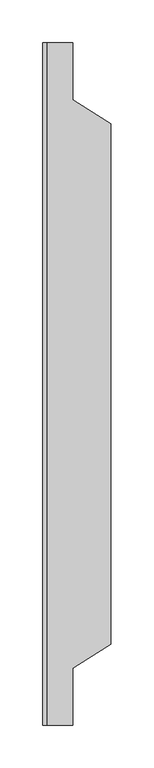
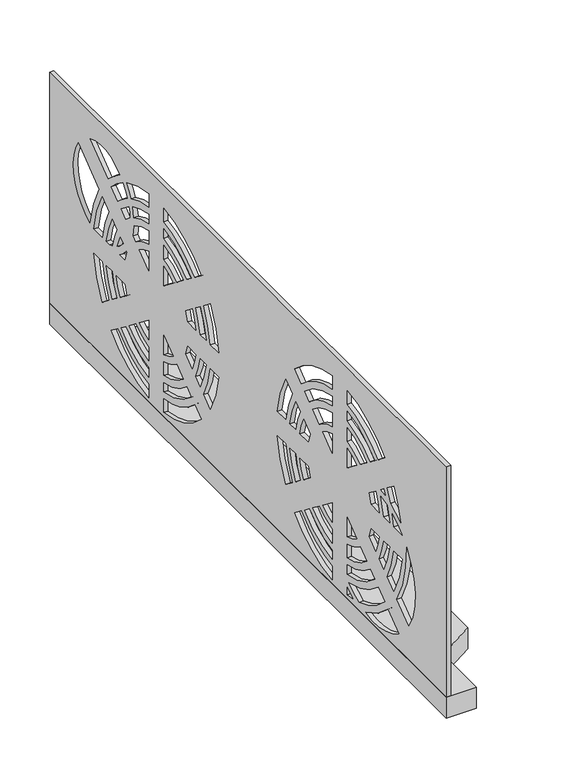
"""IFC4 building model written with IfcOpenShell, lengths in millimetres: proxy geometry."""

from ifc_helpers import new_model, si_unit, point, frame, frame_2d, origin, place, context, project, spatial, polyline, circle_curve, trimmed, segment, composite_curve, outline, extrude, source, transform, mapped, element, save


def specialty_equipment_62a11a08(model_context):
    return source(origin(), model_context, "Body", "SweptSolid", [
        extrude(outline(polyline([(-1157.5, 400.0), (-1122.5, 400.0), (-1122.5, 333.125), (-1077.5, 305.0), (-1077.5, -305.0), (-1122.5, -333.125), (-1122.5, -400.0), (-1157.5, -400.0), (-1157.5, 400.0)])), frame((0.0, 0.0, 40.0), z_axis=(0.0, 0.0, 1.0), x_axis=(1.0, 0.0, 0.0)), (0.0, 0.0, 1.0), 26.0),
        extrude(outline(polyline([(400.0, 350.0), (400.0, 40.0), (-400.0, 40.0), (-400.0, 350.0), (400.0, 350.0)]), holes=[composite_curve([segment(trimmed(circle_curve(frame_2d((-255.0, 152.0)), 82.0), [point((-319.8820078, 202.143046))], [point((-324.2966227, 108.1596295))], True, "CARTESIAN"), True, "CONTINUOUS"), segment(polyline([(-324.2966227, 108.1596295), (-300.4489875, 126.5247809)]), True, "CONTINUOUS"), segment(trimmed(circle_curve(frame_2d((-185.0, 196.5)), 135.0), [point((-300.4489875, 126.5247809))], [point((-319.8820078, 202.143046))], False, "CARTESIAN"), True, "CONTINUOUS")], self_intersect=False), composite_curve([segment(trimmed(circle_curve(frame_2d((-184.9999998, 196.5)), 126.5000002), [point((-310.5015775, 212.3620319))], [point((-310.6075237, 211.5))], True, "CARTESIAN"), True, "CONTINUOUS"), segment(polyline([(-310.6075237, 211.5), (-293.9724736, 211.5)]), True, "CONTINUOUS"), segment(trimmed(circle_curve(frame_2d((-185.0, 196.5)), 110.0), [point((-293.9724736, 211.5))], [point((-291.069857, 225.6407863))], False, "CARTESIAN"), True, "CONTINUOUS"), segment(trimmed(circle_curve(frame_2d((-255.0, 152.0)), 82.0), [point((-291.069857, 225.6407863))], [point((-310.5015775, 212.3620319))], True, "CARTESIAN"), True, "CONTINUOUS")], self_intersect=False), composite_curve([segment(trimmed(circle_curve(frame_2d((-185.0, 196.5)), 126.5), [point((-293.6697176, 261.2544785))], [point((-308.1981724, 225.2134172))], True, "CARTESIAN"), True, "CONTINUOUS"), segment(trimmed(circle_curve(frame_2d((-255.0, 152.0)), 90.5), [point((-308.1981724, 225.2134172))], [point((-287.4811051, 236.4702777))], False, "CARTESIAN"), True, "CONTINUOUS"), segment(trimmed(circle_curve(frame_2d((-185.0, 196.5)), 110.0), [point((-287.4811051, 236.4702777))], [point((-280.4899397, 251.1046831))], False, "CARTESIAN"), True, "CONTINUOUS"), segment(polyline([(-280.4899397, 251.1046831), (-293.6697176, 261.2544785)]), True, "CONTINUOUS")], self_intersect=False), composite_curve([segment(polyline([(-293.9724736, 181.5), (-310.6075237, 181.5)]), True, "CONTINUOUS"), segment(trimmed(circle_curve(frame_2d((-185.0, 196.5)), 126.5), [point((-310.6075237, 181.5))], [point((-293.6697176, 131.7455215))], True, "CARTESIAN"), True, "CONTINUOUS"), segment(polyline([(-293.6697176, 131.7455215), (-280.4899397, 141.8953169)]), True, "CONTINUOUS"), segment(trimmed(circle_curve(frame_2d((-185.0, 196.5)), 110.0), [point((-280.4899397, 141.8953169))], [point((-293.9724736, 181.5))], False, "CARTESIAN"), True, "CONTINUOUS")], self_intersect=False), composite_curve([segment(trimmed(circle_curve(frame_2d((-185.0, 196.5)), 101.5), [point((-273.6865749, 245.8653869))], [point((-276.7819628, 239.8396044))], True, "CARTESIAN"), True, "CONTINUOUS"), segment(trimmed(circle_curve(frame_2d((-255.0, 152.0)), 90.5), [point((-276.7819628, 239.8396044))], [point((-268.0822264, 241.5494576))], False, "CARTESIAN"), True, "CONTINUOUS"), segment(polyline([(-268.0822264, 241.5494576), (-273.6865749, 245.8653869)]), True, "CONTINUOUS")], self_intersect=False), composite_curve([segment(trimmed(circle_curve(frame_2d((-185.0, 196.5)), 101.5), [point((-280.8787765, 229.8093113))], [point((-285.3855069, 211.5))], True, "CARTESIAN"), True, "CONTINUOUS"), segment(polyline([(-285.3855069, 211.5), (-273.7411967, 211.5)]), True, "CONTINUOUS"), segment(trimmed(circle_curve(frame_2d((-185.0, 196.5)), 90.0), [point((-273.7411967, 211.5))], [point((-267.2294971, 233.0829168))], False, "CARTESIAN"), True, "CONTINUOUS"), segment(trimmed(circle_curve(frame_2d((-255.0, 152.0)), 82.0), [point((-267.2294971, 233.0829168))], [point((-280.8787765, 229.8093113))], True, "CARTESIAN"), True, "CONTINUOUS")], self_intersect=False), composite_curve([segment(polyline([(-273.7411967, 181.5), (-285.3855069, 181.5)]), True, "CONTINUOUS"), segment(trimmed(circle_curve(frame_2d((-185.0, 196.5)), 101.5), [point((-285.3855069, 181.5))], [point((-273.6865749, 147.1346131))], True, "CARTESIAN"), True, "CONTINUOUS"), segment(polyline([(-273.6865749, 147.1346131), (-264.4609086, 154.2393326)]), True, "CONTINUOUS"), segment(trimmed(circle_curve(frame_2d((-185.0, 196.5)), 90.0), [point((-264.4609086, 154.2393326))], [point((-273.7411967, 181.5))], False, "CARTESIAN"), True, "CONTINUOUS")], self_intersect=False), composite_curve([segment(trimmed(circle_curve(frame_2d((-185.0, 196.5)), 81.5), [point((-257.6207102, 233.4930055))], [point((-265.10774, 211.5))], True, "CARTESIAN"), True, "CONTINUOUS"), segment(polyline([(-265.10774, 211.5), (-248.2455532, 211.5)]), True, "CONTINUOUS"), segment(trimmed(circle_curve(frame_2d((-185.0, 196.5)), 65.0), [point((-248.2455532, 211.5))], [point((-244.2609742, 223.2046238))], False, "CARTESIAN"), True, "CONTINUOUS"), segment(polyline([(-244.2609742, 223.2046238), (-257.6207102, 233.4930055)]), True, "CONTINUOUS")], self_intersect=False), composite_curve([segment(polyline([(-248.2455532, 181.5), (-265.10774, 181.5)]), True, "CONTINUOUS"), segment(trimmed(circle_curve(frame_2d((-185.0, 196.5)), 81.5), [point((-265.10774, 181.5))], [point((-257.6207102, 159.5069945))], True, "CARTESIAN"), True, "CONTINUOUS"), segment(polyline([(-257.6207102, 159.5069945), (-244.2609742, 169.7953762)]), True, "CONTINUOUS"), segment(trimmed(circle_curve(frame_2d((-185.0, 196.5)), 65.0), [point((-244.2609742, 169.7953762))], [point((-248.2455532, 181.5))], False, "CARTESIAN"), True, "CONTINUOUS")], self_intersect=False), composite_curve([segment(polyline([(-282.1446326, 102.7560916), (-303.7849826, 86.0907786)]), True, "CONTINUOUS"), segment(trimmed(circle_curve(frame_2d((-255.0, 152.0)), 82.0), [point((-303.7849826, 86.0907786))], [point((-237.1297287, 71.9709215))], True, "CARTESIAN"), True, "CONTINUOUS"), segment(trimmed(circle_curve(frame_2d((-185.0, 196.5)), 135.0), [point((-237.1297287, 71.9709215))], [point((-282.1446326, 102.7560916))], False, "CARTESIAN"), True, "CONTINUOUS")], self_intersect=False), composite_curve([segment(polyline([(-262.1855848, 118.1266276), (-275.3653627, 107.9768322)]), True, "CONTINUOUS"), segment(trimmed(circle_curve(frame_2d((-185.0, 196.5)), 126.5), [point((-275.3653627, 107.9768322))], [point((-223.8957918, 76.1282119))], True, "CARTESIAN"), True, "CONTINUOUS"), segment(trimmed(circle_curve(frame_2d((-255.0, 152.0)), 82.0), [point((-223.8957918, 76.1282119))], [point((-203.6258299, 88.0883841))], True, "CARTESIAN"), True, "CONTINUOUS"), segment(trimmed(circle_curve(frame_2d((-185.0, 196.5)), 110.0), [point((-203.6258299, 88.0883841))], [point((-262.1855848, 118.1266276))], False, "CARTESIAN"), True, "CONTINUOUS")], self_intersect=False), composite_curve([segment(trimmed(circle_curve(frame_2d((-185.0, 196.5)), 126.5), [point((-200.0, 322.1075237))], [point((-275.3653627, 285.0231678))], True, "CARTESIAN"), True, "CONTINUOUS"), segment(polyline([(-275.3653627, 285.0231678), (-262.1855848, 274.8733724)]), True, "CONTINUOUS"), segment(trimmed(circle_curve(frame_2d((-185.0, 196.5)), 110.0), [point((-262.1855848, 274.8733724))], [point((-200.0, 305.4724736))], False, "CARTESIAN"), True, "CONTINUOUS"), segment(polyline([(-200.0, 305.4724736), (-200.0, 322.1075237)]), True, "CONTINUOUS")], self_intersect=False), composite_curve([segment(polyline([(-200.0, 166.0159748), (-219.0057965, 151.3795411)]), True, "CONTINUOUS"), segment(trimmed(circle_curve(frame_2d((-185.0, 196.5)), 56.5), [point((-219.0057965, 151.3795411))], [point((-200.0, 142.0275299))], True, "CARTESIAN"), True, "CONTINUOUS"), segment(polyline([(-200.0, 142.0275299), (-200.0, 166.0159748)]), True, "CONTINUOUS")], self_intersect=False), composite_curve([segment(trimmed(circle_curve(frame_2d((-185.0, 196.5)), 65.0), [point((-200.0, 133.2544468))], [point((-225.9566193, 146.0266869))], False, "CARTESIAN"), True, "CONTINUOUS"), segment(polyline([(-225.9566193, 146.0266869), (-239.3163553, 135.7383052)]), True, "CONTINUOUS"), segment(trimmed(circle_curve(frame_2d((-185.0, 196.5)), 81.5), [point((-239.3163553, 135.7383052))], [point((-200.0, 116.39226))], True, "CARTESIAN"), True, "CONTINUOUS"), segment(polyline([(-200.0, 116.39226), (-200.0, 133.2544468)]), True, "CONTINUOUS")], self_intersect=False), composite_curve([segment(trimmed(circle_curve(frame_2d((-185.0, 196.5)), 56.5), [point((-200.0, 250.9724701))], [point((-219.0057965, 241.6204589))], True, "CARTESIAN"), True, "CONTINUOUS"), segment(polyline([(-219.0057965, 241.6204589), (-200.0, 226.9840252), (-200.0, 250.9724701)]), True, "CONTINUOUS")], self_intersect=False), composite_curve([segment(polyline([(-239.3163553, 257.2616948), (-225.9566193, 246.9733131)]), True, "CONTINUOUS"), segment(trimmed(circle_curve(frame_2d((-185.0, 196.5)), 65.0), [point((-225.9566193, 246.9733131))], [point((-200.0, 259.7455532))], False, "CARTESIAN"), True, "CONTINUOUS"), segment(polyline([(-200.0, 259.7455532), (-200.0, 276.60774)]), True, "CONTINUOUS"), segment(trimmed(circle_curve(frame_2d((-185.0, 196.5)), 81.5), [point((-200.0, 276.60774))], [point((-239.3163553, 257.2616948))], True, "CARTESIAN"), True, "CONTINUOUS")], self_intersect=False), composite_curve([segment(trimmed(circle_curve(frame_2d((-185.0, 196.5)), 90.0), [point((-200.0, 107.7588033))], [point((-246.1565537, 130.4706433))], False, "CARTESIAN"), True, "CONTINUOUS"), segment(polyline([(-246.1565537, 130.4706433), (-255.38222, 123.3659238)]), True, "CONTINUOUS"), segment(trimmed(circle_curve(frame_2d((-185.0, 196.5)), 101.5), [point((-255.38222, 123.3659238))], [point((-200.0, 96.1144931))], True, "CARTESIAN"), True, "CONTINUOUS"), segment(polyline([(-200.0, 96.1144931), (-200.0, 107.7588033)]), True, "CONTINUOUS")], self_intersect=False), composite_curve([segment(polyline([(-255.38222, 269.6340762), (-246.1565537, 262.5293567)]), True, "CONTINUOUS"), segment(trimmed(circle_curve(frame_2d((-185.0, 196.5)), 90.0), [point((-246.1565537, 262.5293567))], [point((-200.0, 285.2411967))], False, "CARTESIAN"), True, "CONTINUOUS"), segment(polyline([(-200.0, 285.2411967), (-200.0, 296.8855069)]), True, "CONTINUOUS"), segment(trimmed(circle_curve(frame_2d((-185.0, 196.5)), 101.5), [point((-200.0, 296.8855069))], [point((-255.38222, 269.6340762))], True, "CARTESIAN"), True, "CONTINUOUS")], self_intersect=False), composite_curve([segment(trimmed(circle_curve(frame_2d((-255.0, 152.0)), 90.5), [point((-200.0, 80.1303263))], [point((-211.2814977, 72.7602211))], False, "CARTESIAN"), True, "CONTINUOUS"), segment(trimmed(circle_curve(frame_2d((-185.0, 196.5)), 126.5), [point((-211.2814977, 72.7602211))], [point((-200.0, 70.8924763))], True, "CARTESIAN"), True, "CONTINUOUS"), segment(polyline([(-200.0, 70.8924763), (-200.0, 80.1303263)]), True, "CONTINUOUS")], self_intersect=False), composite_curve([segment(polyline([(-170.0, 166.0159748), (-170.0, 142.0275299)]), True, "CONTINUOUS"), segment(trimmed(circle_curve(frame_2d((-185.0, 196.5)), 56.5), [point((-170.0, 142.0275299))], [point((-150.9942035, 151.3795411))], True, "CARTESIAN"), True, "CONTINUOUS"), segment(polyline([(-150.9942035, 151.3795411), (-170.0, 166.0159748)]), True, "CONTINUOUS")], self_intersect=False), composite_curve([segment(polyline([(-170.0, 250.9724701), (-170.0, 226.9840252), (-150.9942035, 241.6204589)]), True, "CONTINUOUS"), segment(trimmed(circle_curve(frame_2d((-185.0, 196.5)), 56.5), [point((-150.9942035, 241.6204589))], [point((-170.0, 250.9724701))], True, "CARTESIAN"), True, "CONTINUOUS")], self_intersect=False), composite_curve([segment(trimmed(circle_curve(frame_2d((-185.0, 196.5)), 65.0), [point((-144.0433807, 146.0266869))], [point((-170.0, 133.2544468))], False, "CARTESIAN"), True, "CONTINUOUS"), segment(polyline([(-170.0, 133.2544468), (-170.0, 116.39226)]), True, "CONTINUOUS"), segment(trimmed(circle_curve(frame_2d((-185.0, 196.5)), 81.5), [point((-170.0, 116.39226))], [point((-130.6836447, 135.7383052))], True, "CARTESIAN"), True, "CONTINUOUS"), segment(polyline([(-130.6836447, 135.7383052), (-144.0433807, 146.0266869)]), True, "CONTINUOUS")], self_intersect=False), composite_curve([segment(polyline([(-170.0, 276.60774), (-170.0, 259.7455532)]), True, "CONTINUOUS"), segment(trimmed(circle_curve(frame_2d((-185.0, 196.5)), 65.0), [point((-170.0, 259.7455532))], [point((-144.0433807, 246.9733131))], False, "CARTESIAN"), True, "CONTINUOUS"), segment(polyline([(-144.0433807, 246.9733131), (-130.6836447, 257.2616948)]), True, "CONTINUOUS"), segment(trimmed(circle_curve(frame_2d((-185.0, 196.5)), 81.5), [point((-130.6836447, 257.2616948))], [point((-170.0, 276.60774))], True, "CARTESIAN"), True, "CONTINUOUS")], self_intersect=False), composite_curve([segment(trimmed(circle_curve(frame_2d((-185.0, 196.5)), 90.0), [point((-123.8434463, 130.4706433))], [point((-170.0, 107.7588033))], False, "CARTESIAN"), True, "CONTINUOUS"), segment(polyline([(-170.0, 107.7588033), (-170.0, 96.1144931)]), True, "CONTINUOUS"), segment(trimmed(circle_curve(frame_2d((-185.0, 196.5)), 101.5), [point((-170.0, 96.1144931))], [point((-114.61778, 123.3659238))], True, "CARTESIAN"), True, "CONTINUOUS"), segment(polyline([(-114.61778, 123.3659238), (-123.8434463, 130.4706433)]), True, "CONTINUOUS")], self_intersect=False), composite_curve([segment(polyline([(-170.0, 296.8855069), (-170.0, 285.2411967)]), True, "CONTINUOUS"), segment(trimmed(circle_curve(frame_2d((-185.0, 196.5)), 90.0), [point((-170.0, 285.2411967))], [point((-123.8434463, 262.5293567))], False, "CARTESIAN"), True, "CONTINUOUS"), segment(polyline([(-123.8434463, 262.5293567), (-114.61778, 269.6340762)]), True, "CONTINUOUS"), segment(trimmed(circle_curve(frame_2d((-185.0, 196.5)), 101.5), [point((-114.61778, 269.6340762))], [point((-170.0, 296.8855069))], True, "CARTESIAN"), True, "CONTINUOUS")], self_intersect=False), composite_curve([segment(polyline([(-112.3792898, 233.4930055), (-125.7390258, 223.2046238)]), True, "CONTINUOUS"), segment(trimmed(circle_curve(frame_2d((-185.0, 196.5)), 65.0), [point((-125.7390258, 223.2046238))], [point((-121.7544468, 211.5))], False, "CARTESIAN"), True, "CONTINUOUS"), segment(polyline([(-121.7544468, 211.5), (-104.89226, 211.5)]), True, "CONTINUOUS"), segment(trimmed(circle_curve(frame_2d((-185.0, 196.5)), 81.5), [point((-104.89226, 211.5))], [point((-112.3792898, 233.4930055))], True, "CARTESIAN"), True, "CONTINUOUS")], self_intersect=False), composite_curve([segment(trimmed(circle_curve(frame_2d((-185.0, 196.5)), 65.0), [point((-121.7544468, 181.5))], [point((-125.7390258, 169.7953762))], False, "CARTESIAN"), True, "CONTINUOUS"), segment(polyline([(-125.7390258, 169.7953762), (-112.3792898, 159.5069945)]), True, "CONTINUOUS"), segment(trimmed(circle_curve(frame_2d((-185.0, 196.5)), 81.5), [point((-112.3792898, 159.5069945))], [point((-104.89226, 181.5))], True, "CARTESIAN"), True, "CONTINUOUS"), segment(polyline([(-104.89226, 181.5), (-121.7544468, 181.5)]), True, "CONTINUOUS")], self_intersect=False), composite_curve([segment(trimmed(circle_curve(frame_2d((-185.0, 196.5)), 110.0), [point((-107.8144152, 118.1266276))], [point((-170.0, 87.5275264))], False, "CARTESIAN"), True, "CONTINUOUS"), segment(polyline([(-170.0, 87.5275264), (-170.0, 70.8924763)]), True, "CONTINUOUS"), segment(trimmed(circle_curve(frame_2d((-185.0, 196.5)), 126.5), [point((-170.0, 70.8924763))], [point((-94.6346373, 107.9768322))], True, "CARTESIAN"), True, "CONTINUOUS"), segment(polyline([(-94.6346373, 107.9768322), (-107.8144152, 118.1266276)]), True, "CONTINUOUS")], self_intersect=False), composite_curve([segment(polyline([(-170.0, 322.1075237), (-170.0, 305.4724736)]), True, "CONTINUOUS"), segment(trimmed(circle_curve(frame_2d((-185.0, 196.5)), 110.0), [point((-170.0, 305.4724736))], [point((-107.8144152, 274.8733724))], False, "CARTESIAN"), True, "CONTINUOUS"), segment(polyline([(-107.8144152, 274.8733724), (-94.6346373, 285.0231678)]), True, "CONTINUOUS"), segment(trimmed(circle_curve(frame_2d((-185.0, 196.5)), 126.5), [point((-94.6346373, 285.0231678))], [point((-170.0, 322.1075237))], True, "CARTESIAN"), True, "CONTINUOUS")], self_intersect=False), composite_curve([segment(trimmed(circle_curve(frame_2d((-185.0, 196.5)), 90.0), [point((-96.2588033, 181.5))], [point((-105.5390914, 154.2393326))], False, "CARTESIAN"), True, "CONTINUOUS"), segment(polyline([(-105.5390914, 154.2393326), (-96.3134251, 147.1346131)]), True, "CONTINUOUS"), segment(trimmed(circle_curve(frame_2d((-185.0, 196.5)), 101.5), [point((-96.3134251, 147.1346131))], [point((-84.6144931, 181.5))], True, "CARTESIAN"), True, "CONTINUOUS"), segment(polyline([(-84.6144931, 181.5), (-96.2588033, 181.5)]), True, "CONTINUOUS")], self_intersect=False), composite_curve([segment(polyline([(-96.3134251, 245.8653869), (-105.5390914, 238.7606674)]), True, "CONTINUOUS"), segment(trimmed(circle_curve(frame_2d((-185.0, 196.5)), 90.0), [point((-105.5390914, 238.7606674))], [point((-96.2588033, 211.5))], False, "CARTESIAN"), True, "CONTINUOUS"), segment(polyline([(-96.2588033, 211.5), (-84.6144931, 211.5)]), True, "CONTINUOUS"), segment(trimmed(circle_curve(frame_2d((-185.0, 196.5)), 101.5), [point((-84.6144931, 211.5))], [point((-96.3134251, 245.8653869))], True, "CARTESIAN"), True, "CONTINUOUS")], self_intersect=False), composite_curve([segment(polyline([(-76.3302824, 261.2544785), (-89.5100603, 251.1046831)]), True, "CONTINUOUS"), segment(trimmed(circle_curve(frame_2d((-185.0, 196.5)), 110.0), [point((-89.5100603, 251.1046831))], [point((-76.0275264, 211.5))], False, "CARTESIAN"), True, "CONTINUOUS"), segment(polyline([(-76.0275264, 211.5), (-59.3924763, 211.5)]), True, "CONTINUOUS"), segment(trimmed(circle_curve(frame_2d((-185.0, 196.5)), 126.5), [point((-59.3924763, 211.5))], [point((-76.3302824, 261.2544785))], True, "CARTESIAN"), True, "CONTINUOUS")], self_intersect=False), composite_curve([segment(trimmed(circle_curve(frame_2d((-185.0, 196.5)), 110.0), [point((-76.0275264, 181.5))], [point((-89.5100603, 141.8953169))], False, "CARTESIAN"), True, "CONTINUOUS"), segment(polyline([(-89.5100603, 141.8953169), (-76.3302824, 131.7455215)]), True, "CONTINUOUS"), segment(trimmed(circle_curve(frame_2d((-185.0, 196.5)), 126.5), [point((-76.3302824, 131.7455215))], [point((-59.3924763, 181.5))], True, "CARTESIAN"), True, "CONTINUOUS"), segment(polyline([(-59.3924763, 181.5), (-76.0275264, 181.5)]), True, "CONTINUOUS")], self_intersect=False), composite_curve([segment(trimmed(circle_curve(frame_2d((185.0, 196.5)), 126.5), [point((76.3302824, 261.2544785))], [point((59.3924763, 211.5))], True, "CARTESIAN"), True, "CONTINUOUS"), segment(polyline([(59.3924763, 211.5), (76.0275264, 211.5)]), True, "CONTINUOUS"), segment(trimmed(circle_curve(frame_2d((185.0, 196.5)), 110.0), [point((76.0275264, 211.5))], [point((89.5100603, 251.1046831))], False, "CARTESIAN"), True, "CONTINUOUS"), segment(polyline([(89.5100603, 251.1046831), (76.3302824, 261.2544785)]), True, "CONTINUOUS")], self_intersect=False), composite_curve([segment(polyline([(76.0275264, 181.5), (59.3924763, 181.5)]), True, "CONTINUOUS"), segment(trimmed(circle_curve(frame_2d((185.0, 196.5)), 126.5), [point((59.3924763, 181.5))], [point((76.3302824, 131.7455215))], True, "CARTESIAN"), True, "CONTINUOUS"), segment(polyline([(76.3302824, 131.7455215), (89.5100603, 141.8953169)]), True, "CONTINUOUS"), segment(trimmed(circle_curve(frame_2d((185.0, 196.5)), 110.0), [point((89.5100603, 141.8953169))], [point((76.0275264, 181.5))], False, "CARTESIAN"), True, "CONTINUOUS")], self_intersect=False), composite_curve([segment(trimmed(circle_curve(frame_2d((185.0, 196.5)), 101.5), [point((96.3134251, 245.8653869))], [point((84.6144931, 211.5))], True, "CARTESIAN"), True, "CONTINUOUS"), segment(polyline([(84.6144931, 211.5), (96.2588033, 211.5)]), True, "CONTINUOUS"), segment(trimmed(circle_curve(frame_2d((185.0, 196.5)), 90.0), [point((96.2588033, 211.5))], [point((105.5390914, 238.7606674))], False, "CARTESIAN"), True, "CONTINUOUS"), segment(polyline([(105.5390914, 238.7606674), (96.3134251, 245.8653869)]), True, "CONTINUOUS")], self_intersect=False), composite_curve([segment(polyline([(96.2588033, 181.5), (84.6144931, 181.5)]), True, "CONTINUOUS"), segment(trimmed(circle_curve(frame_2d((185.0, 196.5)), 101.5), [point((84.6144931, 181.5))], [point((96.3134251, 147.1346131))], True, "CARTESIAN"), True, "CONTINUOUS"), segment(polyline([(96.3134251, 147.1346131), (105.5390914, 154.2393326)]), True, "CONTINUOUS"), segment(trimmed(circle_curve(frame_2d((185.0, 196.5)), 90.0), [point((105.5390914, 154.2393326))], [point((96.2588033, 181.5))], False, "CARTESIAN"), True, "CONTINUOUS")], self_intersect=False), composite_curve([segment(polyline([(121.7544468, 181.5), (104.89226, 181.5)]), True, "CONTINUOUS"), segment(trimmed(circle_curve(frame_2d((185.0, 196.5)), 81.5), [point((104.89226, 181.5))], [point((112.3792898, 159.5069945))], True, "CARTESIAN"), True, "CONTINUOUS"), segment(polyline([(112.3792898, 159.5069945), (125.7390258, 169.7953762)]), True, "CONTINUOUS"), segment(trimmed(circle_curve(frame_2d((185.0, 196.5)), 65.0), [point((125.7390258, 169.7953762))], [point((121.7544468, 181.5))], False, "CARTESIAN"), True, "CONTINUOUS")], self_intersect=False), composite_curve([segment(trimmed(circle_curve(frame_2d((185.0, 196.5)), 81.5), [point((112.3792898, 233.4930055))], [point((104.89226, 211.5))], True, "CARTESIAN"), True, "CONTINUOUS"), segment(polyline([(104.89226, 211.5), (121.7544468, 211.5)]), True, "CONTINUOUS"), segment(trimmed(circle_curve(frame_2d((185.0, 196.5)), 65.0), [point((121.7544468, 211.5))], [point((125.7390258, 223.2046238))], False, "CARTESIAN"), True, "CONTINUOUS"), segment(polyline([(125.7390258, 223.2046238), (112.3792898, 233.4930055)]), True, "CONTINUOUS")], self_intersect=False), composite_curve([segment(trimmed(circle_curve(frame_2d((185.0, 196.5)), 126.5), [point((170.0, 322.1075237))], [point((94.6346373, 285.0231678))], True, "CARTESIAN"), True, "CONTINUOUS"), segment(polyline([(94.6346373, 285.0231678), (107.8144152, 274.8733724)]), True, "CONTINUOUS"), segment(trimmed(circle_curve(frame_2d((185.0, 196.5)), 110.0), [point((107.8144152, 274.8733724))], [point((170.0, 305.4724736))], False, "CARTESIAN"), True, "CONTINUOUS"), segment(polyline([(170.0, 305.4724736), (170.0, 322.1075237)]), True, "CONTINUOUS")], self_intersect=False), composite_curve([segment(polyline([(170.0, 166.0159748), (150.9942035, 151.3795411)]), True, "CONTINUOUS"), segment(trimmed(circle_curve(frame_2d((185.0, 196.5)), 56.5), [point((150.9942035, 151.3795411))], [point((170.0, 142.0275299))], True, "CARTESIAN"), True, "CONTINUOUS"), segment(polyline([(170.0, 142.0275299), (170.0, 166.0159748)]), True, "CONTINUOUS")], self_intersect=False), composite_curve([segment(trimmed(circle_curve(frame_2d((185.0, 196.5)), 65.0), [point((170.0, 133.2544468))], [point((144.0433807, 146.0266869))], False, "CARTESIAN"), True, "CONTINUOUS"), segment(polyline([(144.0433807, 146.0266869), (130.6836447, 135.7383052)]), True, "CONTINUOUS"), segment(trimmed(circle_curve(frame_2d((185.0, 196.5)), 81.5), [point((130.6836447, 135.7383052))], [point((170.0, 116.39226))], True, "CARTESIAN"), True, "CONTINUOUS"), segment(polyline([(170.0, 116.39226), (170.0, 133.2544468)]), True, "CONTINUOUS")], self_intersect=False), composite_curve([segment(trimmed(circle_curve(frame_2d((185.0, 196.5)), 56.5), [point((170.0, 250.9724701))], [point((150.9942035, 241.6204589))], True, "CARTESIAN"), True, "CONTINUOUS"), segment(polyline([(150.9942035, 241.6204589), (170.0, 226.9840252), (170.0, 250.9724701)]), True, "CONTINUOUS")], self_intersect=False), composite_curve([segment(polyline([(130.6836447, 257.2616948), (144.0433807, 246.9733131)]), True, "CONTINUOUS"), segment(trimmed(circle_curve(frame_2d((185.0, 196.5)), 65.0), [point((144.0433807, 246.9733131))], [point((170.0, 259.7455532))], False, "CARTESIAN"), True, "CONTINUOUS"), segment(polyline([(170.0, 259.7455532), (170.0, 276.60774)]), True, "CONTINUOUS"), segment(trimmed(circle_curve(frame_2d((185.0, 196.5)), 81.5), [point((170.0, 276.60774))], [point((130.6836447, 257.2616948))], True, "CARTESIAN"), True, "CONTINUOUS")], self_intersect=False), composite_curve([segment(trimmed(circle_curve(frame_2d((185.0, 196.5)), 90.0), [point((170.0, 107.7588033))], [point((123.8434463, 130.4706433))], False, "CARTESIAN"), True, "CONTINUOUS"), segment(polyline([(123.8434463, 130.4706433), (114.61778, 123.3659238)]), True, "CONTINUOUS"), segment(trimmed(circle_curve(frame_2d((185.0, 196.5)), 101.5), [point((114.61778, 123.3659238))], [point((170.0, 96.1144931))], True, "CARTESIAN"), True, "CONTINUOUS"), segment(polyline([(170.0, 96.1144931), (170.0, 107.7588033)]), True, "CONTINUOUS")], self_intersect=False), composite_curve([segment(polyline([(114.61778, 269.6340762), (123.8434463, 262.5293567)]), True, "CONTINUOUS"), segment(trimmed(circle_curve(frame_2d((185.0, 196.5)), 90.0), [point((123.8434463, 262.5293567))], [point((170.0, 285.2411967))], False, "CARTESIAN"), True, "CONTINUOUS"), segment(polyline([(170.0, 285.2411967), (170.0, 296.8855069)]), True, "CONTINUOUS"), segment(trimmed(circle_curve(frame_2d((185.0, 196.5)), 101.5), [point((170.0, 296.8855069))], [point((114.61778, 269.6340762))], True, "CARTESIAN"), True, "CONTINUOUS")], self_intersect=False), composite_curve([segment(trimmed(circle_curve(frame_2d((185.0, 196.5)), 110.0), [point((170.0, 87.5275264))], [point((107.8144152, 118.1266276))], False, "CARTESIAN"), True, "CONTINUOUS"), segment(polyline([(107.8144152, 118.1266276), (94.6346373, 107.9768322)]), True, "CONTINUOUS"), segment(trimmed(circle_curve(frame_2d((185.0, 196.5)), 126.5), [point((94.6346373, 107.9768322))], [point((170.0, 70.8924763))], True, "CARTESIAN"), True, "CONTINUOUS"), segment(polyline([(170.0, 70.8924763), (170.0, 87.5275264)]), True, "CONTINUOUS")], self_intersect=False), composite_curve([segment(polyline([(200.0, 166.0159748), (200.0, 142.0275299)]), True, "CONTINUOUS"), segment(trimmed(circle_curve(frame_2d((185.0, 196.5)), 56.5), [point((200.0, 142.0275299))], [point((219.0057965, 151.3795411))], True, "CARTESIAN"), True, "CONTINUOUS"), segment(polyline([(219.0057965, 151.3795411), (200.0, 166.0159748)]), True, "CONTINUOUS")], self_intersect=False), composite_curve([segment(polyline([(200.0, 250.9724701), (200.0, 226.9840252), (219.0057965, 241.6204589)]), True, "CONTINUOUS"), segment(trimmed(circle_curve(frame_2d((185.0, 196.5)), 56.5), [point((219.0057965, 241.6204589))], [point((200.0, 250.9724701))], True, "CARTESIAN"), True, "CONTINUOUS")], self_intersect=False), composite_curve([segment(trimmed(circle_curve(frame_2d((185.0, 196.5)), 81.5), [point((229.511525, 264.7713274))], [point((200.0, 276.60774))], True, "CARTESIAN"), True, "CONTINUOUS"), segment(polyline([(200.0, 276.60774), (200.0, 259.7455532)]), True, "CONTINUOUS"), segment(trimmed(circle_curve(frame_2d((185.0, 196.5)), 65.0), [point((200.0, 259.7455532))], [point((225.9566193, 246.9733131))], False, "CARTESIAN"), True, "CONTINUOUS"), segment(polyline([(225.9566193, 246.9733131), (231.2322126, 251.0360669)]), True, "CONTINUOUS"), segment(trimmed(circle_curve(frame_2d((295.0, 266.0)), 65.5), [point((231.2322126, 251.0360669))], [point((229.511525, 264.7713274))], False, "CARTESIAN"), True, "CONTINUOUS")], self_intersect=False), composite_curve([segment(polyline([(200.0, 296.8855069), (200.0, 285.2411967)]), True, "CONTINUOUS"), segment(trimmed(circle_curve(frame_2d((185.0, 196.5)), 90.0), [point((200.0, 285.2411967))], [point((230.043109, 274.4173815))], False, "CARTESIAN"), True, "CONTINUOUS"), segment(trimmed(circle_curve(frame_2d((295.0, 266.0)), 65.5), [point((230.043109, 274.4173815))], [point((232.6642599, 286.1123224))], False, "CARTESIAN"), True, "CONTINUOUS"), segment(trimmed(circle_curve(frame_2d((185.0, 196.5)), 101.5), [point((232.6642599, 286.1123224))], [point((200.0, 296.8855069))], True, "CARTESIAN"), True, "CONTINUOUS")], self_intersect=False), composite_curve([segment(trimmed(circle_curve(frame_2d((185.0, 196.5)), 65.0), [point((225.9566193, 146.0266869))], [point((200.0, 133.2544468))], False, "CARTESIAN"), True, "CONTINUOUS"), segment(polyline([(200.0, 133.2544468), (200.0, 116.39226)]), True, "CONTINUOUS"), segment(trimmed(circle_curve(frame_2d((185.0, 196.5)), 81.5), [point((200.0, 116.39226))], [point((239.3163553, 135.7383052))], True, "CARTESIAN"), True, "CONTINUOUS"), segment(polyline([(239.3163553, 135.7383052), (225.9566193, 146.0266869)]), True, "CONTINUOUS")], self_intersect=False), composite_curve([segment(polyline([(200.0, 322.1075237), (200.0, 305.4724736)]), True, "CONTINUOUS"), segment(trimmed(circle_curve(frame_2d((185.0, 196.5)), 110.0), [point((200.0, 305.4724736))], [point((235.8146202, 294.059594))], False, "CARTESIAN"), True, "CONTINUOUS"), segment(trimmed(circle_curve(frame_2d((295.0, 266.0)), 65.5), [point((235.8146202, 294.059594))], [point((244.7416778, 308.004179))], False, "CARTESIAN"), True, "CONTINUOUS"), segment(trimmed(circle_curve(frame_2d((185.0, 196.5)), 126.5), [point((244.7416778, 308.004179))], [point((200.0, 322.1075237))], True, "CARTESIAN"), True, "CONTINUOUS")], self_intersect=False), composite_curve([segment(trimmed(circle_curve(frame_2d((185.0, 196.5)), 90.0), [point((246.1565537, 130.4706433))], [point((200.0, 107.7588033))], False, "CARTESIAN"), True, "CONTINUOUS"), segment(polyline([(200.0, 107.7588033), (200.0, 96.1144931)]), True, "CONTINUOUS"), segment(trimmed(circle_curve(frame_2d((185.0, 196.5)), 101.5), [point((200.0, 96.1144931))], [point((255.38222, 123.3659238))], True, "CARTESIAN"), True, "CONTINUOUS"), segment(polyline([(255.38222, 123.3659238), (246.1565537, 130.4706433)]), True, "CONTINUOUS")], self_intersect=False), composite_curve([segment(trimmed(circle_curve(frame_2d((295.0, 266.0)), 57.0), [point((240.1986503, 281.6783952))], [point((238.088479, 269.1747095))], True, "CARTESIAN"), True, "CONTINUOUS"), segment(trimmed(circle_curve(frame_2d((185.0, 196.5)), 90.0), [point((238.088479, 269.1747095))], [point((246.1565537, 262.5293567))], False, "CARTESIAN"), True, "CONTINUOUS"), segment(polyline([(246.1565537, 262.5293567), (255.38222, 269.6340762)]), True, "CONTINUOUS"), segment(trimmed(circle_curve(frame_2d((185.0, 196.5)), 101.5), [point((255.38222, 269.6340762))], [point((240.1986503, 281.6783952))], True, "CARTESIAN"), True, "CONTINUOUS")], self_intersect=False), composite_curve([segment(polyline([(244.9564292, 223.7401962), (244.2609742, 223.2046238)]), True, "CONTINUOUS"), segment(trimmed(circle_curve(frame_2d((185.0, 196.5)), 65.0), [point((244.2609742, 223.2046238))], [point((248.2455532, 211.5))], False, "CARTESIAN"), True, "CONTINUOUS"), segment(polyline([(248.2455532, 211.5), (258.6681958, 211.5)]), True, "CONTINUOUS"), segment(trimmed(circle_curve(frame_2d((295.0, 266.0)), 65.5), [point((258.6681958, 211.5))], [point((244.9564292, 223.7401962))], False, "CARTESIAN"), True, "CONTINUOUS")], self_intersect=False), composite_curve([segment(polyline([(257.6207102, 233.4930055), (251.6987439, 228.9324775)]), True, "CONTINUOUS"), segment(trimmed(circle_curve(frame_2d((295.0, 266.0)), 57.0), [point((251.6987439, 228.9324775))], [point((263.4705057, 218.5143075))], True, "CARTESIAN"), True, "CONTINUOUS"), segment(trimmed(circle_curve(frame_2d((185.0, 196.5)), 81.5), [point((263.4705057, 218.5143075))], [point((257.6207102, 233.4930055))], True, "CARTESIAN"), True, "CONTINUOUS")], self_intersect=False), composite_curve([segment(trimmed(circle_curve(frame_2d((185.0, 196.5)), 65.0), [point((248.2455532, 181.5))], [point((244.2609742, 169.7953762))], False, "CARTESIAN"), True, "CONTINUOUS"), segment(polyline([(244.2609742, 169.7953762), (257.6207102, 159.5069945)]), True, "CONTINUOUS"), segment(trimmed(circle_curve(frame_2d((185.0, 196.5)), 81.5), [point((257.6207102, 159.5069945))], [point((265.10774, 181.5))], True, "CARTESIAN"), True, "CONTINUOUS"), segment(polyline([(265.10774, 181.5), (248.2455532, 181.5)]), True, "CONTINUOUS")], self_intersect=False), composite_curve([segment(trimmed(circle_curve(frame_2d((185.0, 196.5)), 110.0), [point((262.1855848, 118.1266276))], [point((200.0, 87.5275264))], False, "CARTESIAN"), True, "CONTINUOUS"), segment(polyline([(200.0, 87.5275264), (200.0, 70.8924763)]), True, "CONTINUOUS"), segment(trimmed(circle_curve(frame_2d((185.0, 196.5)), 126.5), [point((200.0, 70.8924763))], [point((275.3653627, 107.9768322))], True, "CARTESIAN"), True, "CONTINUOUS"), segment(polyline([(275.3653627, 107.9768322), (262.1855848, 118.1266276)]), True, "CONTINUOUS")], self_intersect=False), composite_curve([segment(trimmed(circle_curve(frame_2d((295.0, 266.0)), 57.0), [point((252.2167191, 303.6641856))], [point((243.2201701, 289.8295869))], True, "CARTESIAN"), True, "CONTINUOUS"), segment(trimmed(circle_curve(frame_2d((185.0, 196.5)), 110.0), [point((243.2201701, 289.8295869))], [point((262.1855848, 274.8733724))], False, "CARTESIAN"), True, "CONTINUOUS"), segment(polyline([(262.1855848, 274.8733724), (275.3653627, 285.0231678)]), True, "CONTINUOUS"), segment(trimmed(circle_curve(frame_2d((185.0, 196.5)), 126.5), [point((275.3653627, 285.0231678))], [point((252.2167191, 303.6641856))], True, "CARTESIAN"), True, "CONTINUOUS")], self_intersect=False), composite_curve([segment(trimmed(circle_curve(frame_2d((185.0, 196.5)), 90.0), [point((273.7411967, 181.5))], [point((264.4609086, 154.2393326))], False, "CARTESIAN"), True, "CONTINUOUS"), segment(polyline([(264.4609086, 154.2393326), (273.6865749, 147.1346131)]), True, "CONTINUOUS"), segment(trimmed(circle_curve(frame_2d((185.0, 196.5)), 101.5), [point((273.6865749, 147.1346131))], [point((285.3855069, 181.5))], True, "CARTESIAN"), True, "CONTINUOUS"), segment(polyline([(285.3855069, 181.5), (273.7411967, 181.5)]), True, "CONTINUOUS")], self_intersect=False), composite_curve([segment(polyline([(273.6865749, 245.8653869), (264.4609086, 238.7606674)]), True, "CONTINUOUS"), segment(trimmed(circle_curve(frame_2d((185.0, 196.5)), 90.0), [point((264.4609086, 238.7606674))], [point((273.4296616, 213.2390248))], False, "CARTESIAN"), True, "CONTINUOUS"), segment(trimmed(circle_curve(frame_2d((295.0, 266.0)), 57.0), [point((273.4296616, 213.2390248))], [point((278.3041921, 211.5))], True, "CARTESIAN"), True, "CONTINUOUS"), segment(polyline([(278.3041921, 211.5), (285.3855069, 211.5)]), True, "CONTINUOUS"), segment(trimmed(circle_curve(frame_2d((185.0, 196.5)), 101.5), [point((285.3855069, 211.5))], [point((273.6865749, 245.8653869))], True, "CARTESIAN"), True, "CONTINUOUS")], self_intersect=False), composite_curve([segment(polyline([(293.6697176, 261.2544785), (280.4899397, 251.1046831)]), True, "CONTINUOUS"), segment(trimmed(circle_curve(frame_2d((185.0, 196.5)), 110.0), [point((280.4899397, 251.1046831))], [point((293.9724736, 211.5))], False, "CARTESIAN"), True, "CONTINUOUS"), segment(polyline([(293.9724736, 211.5), (310.6075237, 211.5)]), True, "CONTINUOUS"), segment(trimmed(circle_curve(frame_2d((185.0, 196.5)), 126.5), [point((310.6075237, 211.5))], [point((293.6697176, 261.2544785))], True, "CARTESIAN"), True, "CONTINUOUS")], self_intersect=False), composite_curve([segment(trimmed(circle_curve(frame_2d((185.0, 196.5)), 110.0), [point((293.9724736, 181.5))], [point((280.4899397, 141.8953169))], False, "CARTESIAN"), True, "CONTINUOUS"), segment(polyline([(280.4899397, 141.8953169), (293.6697176, 131.7455215)]), True, "CONTINUOUS"), segment(trimmed(circle_curve(frame_2d((185.0, 196.5)), 126.5), [point((293.6697176, 131.7455215))], [point((310.6075237, 181.5))], True, "CARTESIAN"), True, "CONTINUOUS"), segment(polyline([(310.6075237, 181.5), (293.9724736, 181.5)]), True, "CONTINUOUS")], self_intersect=False), composite_curve([segment(trimmed(circle_curve(frame_2d((185.0, 196.5)), 135.0), [point((258.470926, 309.7564481))], [point((282.1446326, 290.2439084))], False, "CARTESIAN"), True, "CONTINUOUS"), segment(polyline([(282.1446326, 290.2439084), (318.2449591, 318.0449025)]), True, "CONTINUOUS"), segment(trimmed(circle_curve(frame_2d((295.0, 266.0)), 57.0), [point((318.2449591, 318.0449025))], [point((258.470926, 309.7564481))], True, "CARTESIAN"), True, "CONTINUOUS")], self_intersect=False), composite_curve([segment(polyline([(341.8988699, 298.3959257), (300.4489875, 266.4752191)]), True, "CONTINUOUS"), segment(trimmed(circle_curve(frame_2d((185.0, 196.5)), 135.0), [point((300.4489875, 266.4752191))], [point((318.8318309, 214.2212028))], False, "CARTESIAN"), True, "CONTINUOUS"), segment(trimmed(circle_curve(frame_2d((295.0, 266.0)), 57.0), [point((318.8318309, 214.2212028))], [point((341.8988699, 298.3959257))], True, "CARTESIAN"), True, "CONTINUOUS")], self_intersect=False)]), frame((-1157.5, 0.0, 0.0), z_axis=(1.0, 0.0, 0.0), x_axis=(0.0, 1.0, 0.0)), (0.0, 0.0, 1.0), 5.0),
    ])


if __name__ == "__main__":
    model = new_model("IFC4")
    model_context = context("Model", 3, world=origin())
    ifc_project = project(units=[si_unit("LENGTHUNIT", "METRE", prefix="MILLI")], contexts=[model_context])
    site = spatial("IfcSite", under=ifc_project)
    building = spatial("IfcBuilding", under=site)
    placement = place(None, origin())
    specialty_equipment_shape = specialty_equipment_62a11a08(model_context)
    element("IfcBuildingElementProxy", 1, Name="Specialty Equipment", at=placement, inside=building, context=model_context, shape_type="MappedRepresentation", body=[
        mapped(specialty_equipment_shape, transform((0.0, 0.0, 0.0), x_axis=(1.0, 0.0, 0.0), y_axis=(0.0, 1.0, 0.0), z_axis=(0.0, 0.0, 1.0))),
    ])
    save(model, "model.ifc")
